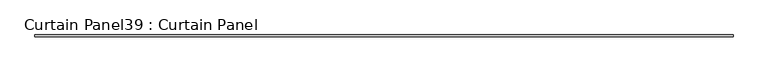
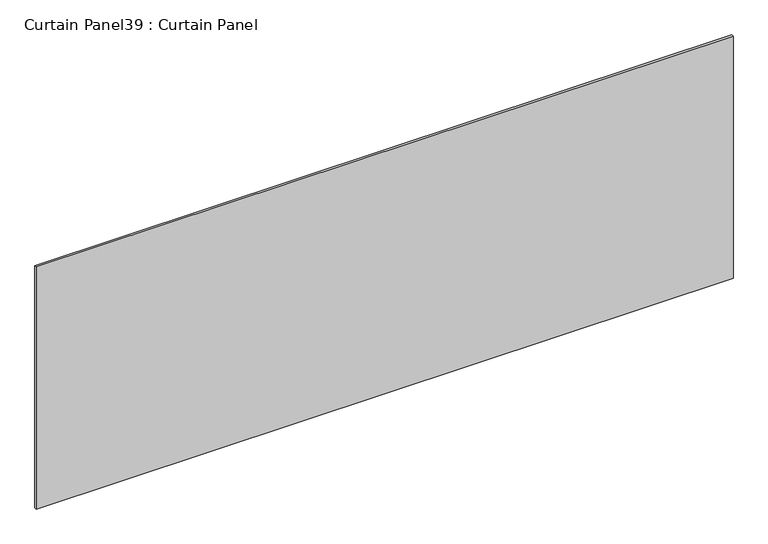
"""IFC4 building model written with IfcOpenShell, lengths in millimetres: plate geometry, Curtain Panel39 : Curtain Panel."""

from ifc_helpers import new_model, si_unit, frame, origin, place, context, project, spatial, polyline, outline, extrude, source, transform, mapped, element, save


def curtain_panel39_curtain_panel_937b8887(model_context):
    return source(origin(), model_context, "Body", "SweptSolid", [
        extrude(outline(polyline([(-16503.9514736, 666.0938036), (-18777.2498086, 666.0938036), (-18777.2498086, 672.4438036), (-16503.9514736, 672.4438036), (-16503.9514736, 666.0938036)])), frame((0.0, 0.0, 1088.3883256), z_axis=(0.0, 0.0, 1.0), x_axis=(1.0, 0.0, 0.0)), (0.0, 0.0, 1.0), 834.9051222),
    ])


if __name__ == "__main__":
    model = new_model("IFC4")
    model_context = context("Model", 3, world=origin())
    ifc_project = project(units=[si_unit("LENGTHUNIT", "METRE", prefix="MILLI")], contexts=[model_context])
    site = spatial("IfcSite", under=ifc_project)
    building = spatial("IfcBuilding", under=site)
    placement = place(None, origin())
    curtain_panel39_curtain_panel_shape = curtain_panel39_curtain_panel_937b8887(model_context)
    element("IfcPlate", 1, ObjectType="Curtain Panel39 : Curtain Panel", at=placement, inside=building, context=model_context, shape_type="MappedRepresentation", body=[
        mapped(curtain_panel39_curtain_panel_shape, transform((0.0, 0.0, 0.0), x_axis=(1.0, 0.0, 0.0), y_axis=(0.0, 1.0, 0.0), z_axis=(0.0, 0.0, 1.0))),
    ])
    save(model, "model.ifc")
